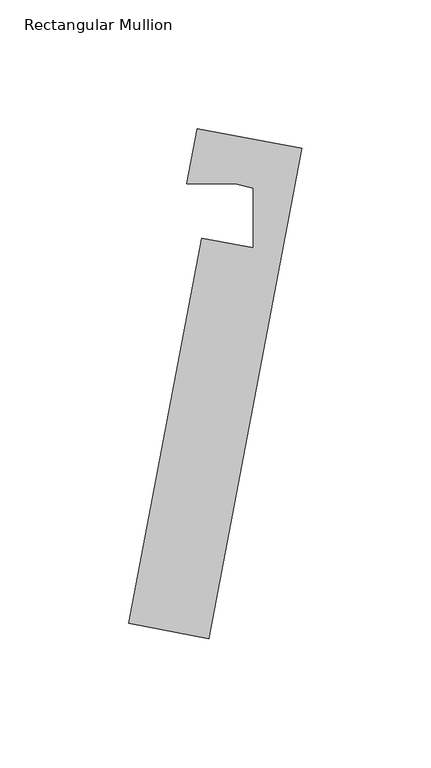
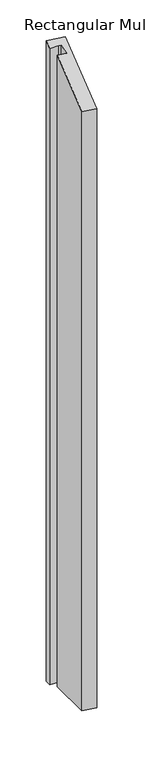
"""IFC4 building model written with IfcOpenShell, lengths in millimetres: member geometry, Rectangular Mullion."""

from ifc_helpers import new_model, si_unit, origin, place, context, project, spatial, faceted_brep, source, transform, mapped, element, save


def rectangular_mullion_5ab3d4f4(model_context):
    return source(origin(), model_context, "Body", "Brep", [
        faceted_brep([(-60.3946181, -148.380221, -42.0408424), (-32.0206208, 1.3551331, -1.2394131), (-32.0206208, 1.3551331, -1576.5204522), (-60.3946181, -148.380221, -1535.6849952), (-29.1997526, -154.2914704, -42.0410526), (-29.1997526, -154.2914704, -1535.6847849), (6.8881085, 36.1515119, 9.8528098), (6.8881085, 36.1515119, -1587.6219259), (-33.6646913, 43.8360366, 9.8530831), (-33.6646913, 43.8360366, -1587.6221993), (-37.7368459, 22.3464488, 3.9973792), (-37.7368459, 22.3464488, -1581.7616119), (-18.1300226, 22.2832436, 4.9579377), (-18.1300226, 22.2832436, -1582.7229715), (-11.9513915, 20.7630132, 4.8659838), (-11.9513915, 20.7630132, -1582.6309409), (-12.0261692, -2.4337016, -1.2395479), (-12.0261692, -2.4337016, -1576.5203173)], [[[0, 1, 2, 3]], [[4, 0, 3, 5]], [[6, 4, 5, 7]], [[8, 6, 7, 9]], [[10, 8, 9, 11]], [[12, 10, 11, 13]], [[14, 12, 13, 15]], [[16, 14, 15, 17]], [[1, 16, 17, 2]], [[1, 0, 4, 6, 8, 10, 12, 14, 16]], [[2, 17, 15, 13, 11, 9, 7, 5, 3]]]),
    ])


if __name__ == "__main__":
    model = new_model("IFC4")
    model_context = context("Model", 3, world=origin())
    ifc_project = project(units=[si_unit("LENGTHUNIT", "METRE", prefix="MILLI")], contexts=[model_context])
    site = spatial("IfcSite", under=ifc_project)
    building = spatial("IfcBuilding", under=site)
    placement = place(None, origin())
    rectangular_mullion_shape = rectangular_mullion_5ab3d4f4(model_context)
    element("IfcMember", 1, ObjectType="Rectangular Mullion", at=placement, inside=building, context=model_context, shape_type="MappedRepresentation", body=[
        mapped(rectangular_mullion_shape, transform((0.0, 0.0, 0.0), x_axis=(1.0, 0.0, 0.0), y_axis=(0.0, 1.0, 0.0), z_axis=(0.0, 0.0, 1.0))),
    ])
    save(model, "model.ifc")
